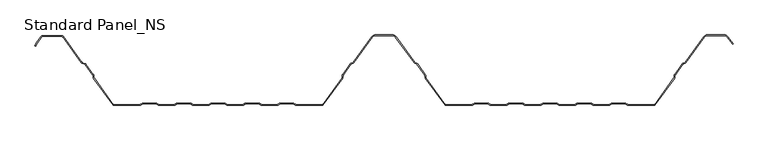
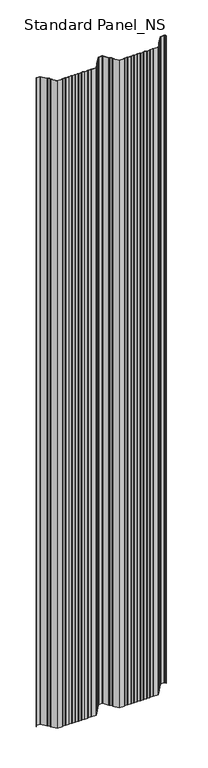
"""IFC4 building model written with IfcOpenShell, lengths in millimetres: proxy geometry, Standard Panel_NS."""

from ifc_helpers import new_model, si_unit, point, frame, frame_2d, origin, place, context, project, spatial, polyline, circle_curve, trimmed, segment, composite_curve, outline, extrude, source, transform, mapped, element, save


def standard_panel_ns_82f84458(model_context):
    return source(origin(), model_context, "Body", "SweptSolid", [
        extrude(outline(composite_curve([segment(trimmed(circle_curve(frame_2d((-489.5977663, 97.2513951)), 2.7486049), [point((-491.8230655, 98.864737))], [point((-489.5977663, 100.0))], False, "CARTESIAN"), True, "CONTINUOUS"), segment(polyline([(-489.5977663, 100.0), (-462.4022334, 100.0)]), True, "CONTINUOUS"), segment(trimmed(circle_curve(frame_2d((-462.4022334, 97.2513951)), 2.7486049), [point((-462.4022334, 100.0))], [point((-460.1769342, 98.864737))], False, "CARTESIAN"), True, "CONTINUOUS"), segment(polyline([(-460.1769342, 98.864737), (-433.3812186, 61.9051293)]), True, "CONTINUOUS"), segment(trimmed(circle_curve(frame_2d((-431.9655298, 62.9315037)), 1.7486049), [point((-433.3812186, 61.9051293))], [point((-432.574124, 61.2922257))], True, "CARTESIAN"), True, "CONTINUOUS"), segment(polyline([(-432.574124, 61.2922257), (-428.7804508, 59.8837962)]), True, "CONTINUOUS"), segment(trimmed(circle_curve(frame_2d((-429.7370906, 57.3070406)), 2.7486049), [point((-428.7804508, 59.8837962))], [point((-427.5117914, 58.9203825))], False, "CARTESIAN"), True, "CONTINUOUS"), segment(polyline([(-427.5117914, 58.9203825), (-416.762254, 44.0934344)]), True, "CONTINUOUS"), segment(trimmed(circle_curve(frame_2d((-418.9875532, 42.4800924)), 2.7486049), [point((-416.762254, 44.0934344))], [point((-416.2410712, 42.5881001))], False, "CARTESIAN"), True, "CONTINUOUS"), segment(polyline([(-416.2410712, 42.5881001), (-416.1528959, 40.3459275)]), True, "CONTINUOUS"), segment(trimmed(circle_curve(frame_2d((-414.4056416, 40.4146398)), 1.7486049), [point((-416.1528959, 40.3459275))], [point((-415.8213303, 39.3882654))], True, "CARTESIAN"), True, "CONTINUOUS"), segment(polyline([(-415.8213303, 39.3882654), (-387.9898379, 1.0), (-350.1655438, 1.0)]), True, "CONTINUOUS"), segment(trimmed(circle_curve(frame_2d((-350.1655438, 2.7486049)), 1.7486049), [point((-350.1655438, 1.0))], [point((-349.1955923, 1.2936777))], True, "CARTESIAN"), True, "CONTINUOUS"), segment(polyline([(-349.1955923, 1.2936777), (-347.3285499, 2.5383726)]), True, "CONTINUOUS"), segment(trimmed(circle_curve(frame_2d((-345.8038982, 0.2513951)), 2.7486049), [point((-347.3285499, 2.5383726))], [point((-345.8038982, 3.0))], False, "CARTESIAN"), True, "CONTINUOUS"), segment(polyline([(-345.8038982, 3.0), (-326.8627681, 3.0)]), True, "CONTINUOUS"), segment(trimmed(circle_curve(frame_2d((-326.8627681, 0.2513951)), 2.7486049), [point((-326.8627681, 3.0))], [point((-325.3381165, 2.5383726))], False, "CARTESIAN"), True, "CONTINUOUS"), segment(polyline([(-325.3381165, 2.5383726), (-323.4710741, 1.2936777)]), True, "CONTINUOUS"), segment(trimmed(circle_curve(frame_2d((-322.5011226, 2.7486049)), 1.7486049), [point((-323.4710741, 1.2936777))], [point((-322.5011226, 1.0))], True, "CARTESIAN"), True, "CONTINUOUS"), segment(polyline([(-322.5011226, 1.0), (-300.9988771, 1.0)]), True, "CONTINUOUS"), segment(trimmed(circle_curve(frame_2d((-300.9988771, 2.7486049)), 1.7486049), [point((-300.9988771, 1.0))], [point((-300.0289256, 1.2936777))], True, "CARTESIAN"), True, "CONTINUOUS"), segment(polyline([(-300.0289256, 1.2936777), (-298.1618832, 2.5383726)]), True, "CONTINUOUS"), segment(trimmed(circle_curve(frame_2d((-296.6372316, 0.2513951)), 2.7486049), [point((-298.1618832, 2.5383726))], [point((-296.6372316, 3.0))], False, "CARTESIAN"), True, "CONTINUOUS"), segment(polyline([(-296.6372316, 3.0), (-277.6961015, 3.0)]), True, "CONTINUOUS"), segment(trimmed(circle_curve(frame_2d((-277.6961015, 0.2513951)), 2.7486049), [point((-277.6961015, 3.0))], [point((-276.1714498, 2.5383726))], False, "CARTESIAN"), True, "CONTINUOUS"), segment(polyline([(-276.1714498, 2.5383726), (-274.3044074, 1.2936777)]), True, "CONTINUOUS"), segment(trimmed(circle_curve(frame_2d((-273.3344559, 2.7486049)), 1.7486049), [point((-274.3044074, 1.2936777))], [point((-273.3344559, 1.0))], True, "CARTESIAN"), True, "CONTINUOUS"), segment(polyline([(-273.3344559, 1.0), (-251.8322104, 1.0)]), True, "CONTINUOUS"), segment(trimmed(circle_curve(frame_2d((-251.8322104, 2.7486049)), 1.7486049), [point((-251.8322104, 1.0))], [point((-250.862259, 1.2936777))], True, "CARTESIAN"), True, "CONTINUOUS"), segment(polyline([(-250.862259, 1.2936777), (-248.9952166, 2.5383726)]), True, "CONTINUOUS"), segment(trimmed(circle_curve(frame_2d((-247.4705649, 0.2513951)), 2.7486049), [point((-248.9952166, 2.5383726))], [point((-247.4705649, 3.0))], False, "CARTESIAN"), True, "CONTINUOUS"), segment(polyline([(-247.4705649, 3.0), (-228.5294348, 3.0)]), True, "CONTINUOUS"), segment(trimmed(circle_curve(frame_2d((-228.5294348, 0.2513951)), 2.7486049), [point((-228.5294348, 3.0))], [point((-227.0047831, 2.5383726))], False, "CARTESIAN"), True, "CONTINUOUS"), segment(polyline([(-227.0047831, 2.5383726), (-225.1377407, 1.2936777)]), True, "CONTINUOUS"), segment(trimmed(circle_curve(frame_2d((-224.1677892, 2.7486049)), 1.7486049), [point((-225.1377407, 1.2936777))], [point((-224.1677892, 1.0))], True, "CARTESIAN"), True, "CONTINUOUS"), segment(polyline([(-224.1677892, 1.0), (-202.6655438, 1.0)]), True, "CONTINUOUS"), segment(trimmed(circle_curve(frame_2d((-202.6655438, 2.7486049)), 1.7486049), [point((-202.6655438, 1.0))], [point((-201.6955923, 1.2936777))], True, "CARTESIAN"), True, "CONTINUOUS"), segment(polyline([(-201.6955923, 1.2936777), (-199.8285499, 2.5383726)]), True, "CONTINUOUS"), segment(trimmed(circle_curve(frame_2d((-198.3038982, 0.2513951)), 2.7486049), [point((-199.8285499, 2.5383726))], [point((-198.3038982, 3.0))], False, "CARTESIAN"), True, "CONTINUOUS"), segment(polyline([(-198.3038982, 3.0), (-179.3627681, 3.0)]), True, "CONTINUOUS"), segment(trimmed(circle_curve(frame_2d((-179.3627681, 0.2513951)), 2.7486049), [point((-179.3627681, 3.0))], [point((-177.8381165, 2.5383726))], False, "CARTESIAN"), True, "CONTINUOUS"), segment(polyline([(-177.8381165, 2.5383726), (-175.9710741, 1.2936777)]), True, "CONTINUOUS"), segment(trimmed(circle_curve(frame_2d((-175.0011226, 2.7486049)), 1.7486049), [point((-175.9710741, 1.2936777))], [point((-175.0011226, 1.0))], True, "CARTESIAN"), True, "CONTINUOUS"), segment(polyline([(-175.0011226, 1.0), (-153.4988771, 1.0)]), True, "CONTINUOUS"), segment(trimmed(circle_curve(frame_2d((-153.4988771, 2.7486049)), 1.7486049), [point((-153.4988771, 1.0))], [point((-152.5289256, 1.2936777))], True, "CARTESIAN"), True, "CONTINUOUS"), segment(polyline([(-152.5289256, 1.2936777), (-150.6618832, 2.5383726)]), True, "CONTINUOUS"), segment(trimmed(circle_curve(frame_2d((-149.1372316, 0.2513951)), 2.7486049), [point((-150.6618832, 2.5383726))], [point((-149.1372316, 3.0))], False, "CARTESIAN"), True, "CONTINUOUS"), segment(polyline([(-149.1372316, 3.0), (-130.1961015, 3.0)]), True, "CONTINUOUS"), segment(trimmed(circle_curve(frame_2d((-130.1961015, 0.2513951)), 2.7486049), [point((-130.1961015, 3.0))], [point((-128.6714498, 2.5383726))], False, "CARTESIAN"), True, "CONTINUOUS"), segment(polyline([(-128.6714498, 2.5383726), (-126.8044074, 1.2936777)]), True, "CONTINUOUS"), segment(trimmed(circle_curve(frame_2d((-125.8344559, 2.7486049)), 1.7486049), [point((-126.8044074, 1.2936777))], [point((-125.8344559, 1.0))], True, "CARTESIAN"), True, "CONTINUOUS"), segment(polyline([(-125.8344559, 1.0), (-88.0101618, 1.0), (-60.1786694, 39.3882654)]), True, "CONTINUOUS"), segment(trimmed(circle_curve(frame_2d((-61.5943581, 40.4146398)), 1.7486049), [point((-60.1786694, 39.3882654))], [point((-59.8471038, 40.3459275))], True, "CARTESIAN"), True, "CONTINUOUS"), segment(polyline([(-59.8471038, 40.3459275), (-59.7589285, 42.5881001)]), True, "CONTINUOUS"), segment(trimmed(circle_curve(frame_2d((-57.0124465, 42.4800924)), 2.7486049), [point((-59.7589285, 42.5881001))], [point((-59.2377457, 44.0934344))], False, "CARTESIAN"), True, "CONTINUOUS"), segment(polyline([(-59.2377457, 44.0934344), (-48.1199166, 59.4283711)]), True, "CONTINUOUS"), segment(trimmed(circle_curve(frame_2d((-45.8946174, 57.8150291)), 2.7486049), [point((-48.1199166, 59.4283711))], [point((-46.8512572, 60.3917847))], False, "CARTESIAN"), True, "CONTINUOUS"), segment(polyline([(-46.8512572, 60.3917847), (-44.7476458, 61.1727662)]), True, "CONTINUOUS"), segment(trimmed(circle_curve(frame_2d((-45.35624, 62.8120441)), 1.7486049), [point((-44.7476458, 61.1727662))], [point((-43.9405512, 61.7856697))], True, "CARTESIAN"), True, "CONTINUOUS"), segment(polyline([(-43.9405512, 61.7856697), (-17.3068528, 98.5218054)]), True, "CONTINUOUS"), segment(trimmed(circle_curve(frame_2d((-12.4491902, 95.0)), 6.0), [point((-17.3068528, 98.5218054))], [point((-12.4491902, 101.0))], False, "CARTESIAN"), True, "CONTINUOUS"), segment(polyline([(-12.4491902, 101.0), (12.4491905, 101.0)]), True, "CONTINUOUS"), segment(trimmed(circle_curve(frame_2d((12.4491905, 95.0)), 6.0), [point((12.4491905, 101.0))], [point((17.3068531, 98.5218054))], False, "CARTESIAN"), True, "CONTINUOUS"), segment(polyline([(17.3068531, 98.5218054), (43.9405515, 61.7856697)]), True, "CONTINUOUS"), segment(trimmed(circle_curve(frame_2d((45.3562403, 62.8120441)), 1.7486049), [point((43.9405515, 61.7856697))], [point((44.7476461, 61.1727662))], True, "CARTESIAN"), True, "CONTINUOUS"), segment(polyline([(44.7476461, 61.1727662), (46.8512575, 60.3917847)]), True, "CONTINUOUS"), segment(trimmed(circle_curve(frame_2d((45.8946177, 57.8150291)), 2.7486049), [point((46.8512575, 60.3917847))], [point((48.1199169, 59.4283711))], False, "CARTESIAN"), True, "CONTINUOUS"), segment(polyline([(48.1199169, 59.4283711), (59.237746, 44.0934344)]), True, "CONTINUOUS"), segment(trimmed(circle_curve(frame_2d((57.0124468, 42.4800924)), 2.7486049), [point((59.237746, 44.0934344))], [point((59.7589288, 42.5881001))], False, "CARTESIAN"), True, "CONTINUOUS"), segment(polyline([(59.7589288, 42.5881001), (59.8471041, 40.3459275)]), True, "CONTINUOUS"), segment(trimmed(circle_curve(frame_2d((61.5943584, 40.4146398)), 1.7486049), [point((59.8471041, 40.3459275))], [point((60.1786697, 39.3882654))], True, "CARTESIAN"), True, "CONTINUOUS"), segment(polyline([(60.1786697, 39.3882654), (88.0101621, 1.0), (125.8344562, 1.0)]), True, "CONTINUOUS"), segment(trimmed(circle_curve(frame_2d((125.8344562, 2.7486049)), 1.7486049), [point((125.8344562, 1.0))], [point((126.8044077, 1.2936777))], True, "CARTESIAN"), True, "CONTINUOUS"), segment(polyline([(126.8044077, 1.2936777), (128.6714501, 2.5383726)]), True, "CONTINUOUS"), segment(trimmed(circle_curve(frame_2d((130.1961018, 0.2513951)), 2.7486049), [point((128.6714501, 2.5383726))], [point((130.1961018, 3.0))], False, "CARTESIAN"), True, "CONTINUOUS"), segment(polyline([(130.1961018, 3.0), (149.1372319, 3.0)]), True, "CONTINUOUS"), segment(trimmed(circle_curve(frame_2d((149.1372319, 0.2513951)), 2.7486049), [point((149.1372319, 3.0))], [point((150.6618835, 2.5383726))], False, "CARTESIAN"), True, "CONTINUOUS"), segment(polyline([(150.6618835, 2.5383726), (152.5289259, 1.2936777)]), True, "CONTINUOUS"), segment(trimmed(circle_curve(frame_2d((153.4988774, 2.7486049)), 1.7486049), [point((152.5289259, 1.2936777))], [point((153.4988774, 1.0))], True, "CARTESIAN"), True, "CONTINUOUS"), segment(polyline([(153.4988774, 1.0), (175.0011229, 1.0)]), True, "CONTINUOUS"), segment(trimmed(circle_curve(frame_2d((175.0011229, 2.7486049)), 1.7486049), [point((175.0011229, 1.0))], [point((175.9710744, 1.2936777))], True, "CARTESIAN"), True, "CONTINUOUS"), segment(polyline([(175.9710744, 1.2936777), (177.8381168, 2.5383726)]), True, "CONTINUOUS"), segment(trimmed(circle_curve(frame_2d((179.3627684, 0.2513951)), 2.7486049), [point((177.8381168, 2.5383726))], [point((179.3627684, 3.0))], False, "CARTESIAN"), True, "CONTINUOUS"), segment(polyline([(179.3627684, 3.0), (198.3038985, 3.0)]), True, "CONTINUOUS"), segment(trimmed(circle_curve(frame_2d((198.3038985, 0.2513951)), 2.7486049), [point((198.3038985, 3.0))], [point((199.8285502, 2.5383726))], False, "CARTESIAN"), True, "CONTINUOUS"), segment(polyline([(199.8285502, 2.5383726), (201.6955926, 1.2936777)]), True, "CONTINUOUS"), segment(trimmed(circle_curve(frame_2d((202.6655441, 2.7486049)), 1.7486049), [point((201.6955926, 1.2936777))], [point((202.6655441, 1.0))], True, "CARTESIAN"), True, "CONTINUOUS"), segment(polyline([(202.6655441, 1.0), (224.1677896, 1.0)]), True, "CONTINUOUS"), segment(trimmed(circle_curve(frame_2d((224.1677896, 2.7486049)), 1.7486049), [point((224.1677896, 1.0))], [point((225.137741, 1.2936777))], True, "CARTESIAN"), True, "CONTINUOUS"), segment(polyline([(225.137741, 1.2936777), (227.0047834, 2.5383726)]), True, "CONTINUOUS"), segment(trimmed(circle_curve(frame_2d((228.5294351, 0.2513951)), 2.7486049), [point((227.0047834, 2.5383726))], [point((228.5294351, 3.0))], False, "CARTESIAN"), True, "CONTINUOUS"), segment(polyline([(228.5294351, 3.0), (247.4705652, 3.0)]), True, "CONTINUOUS"), segment(trimmed(circle_curve(frame_2d((247.4705652, 0.2513951)), 2.7486049), [point((247.4705652, 3.0))], [point((248.9952169, 2.5383726))], False, "CARTESIAN"), True, "CONTINUOUS"), segment(polyline([(248.9952169, 2.5383726), (250.8622593, 1.2936777)]), True, "CONTINUOUS"), segment(trimmed(circle_curve(frame_2d((251.8322108, 2.7486049)), 1.7486049), [point((250.8622593, 1.2936777))], [point((251.8322108, 1.0))], True, "CARTESIAN"), True, "CONTINUOUS"), segment(polyline([(251.8322108, 1.0), (273.3344562, 1.0)]), True, "CONTINUOUS"), segment(trimmed(circle_curve(frame_2d((273.3344562, 2.7486049)), 1.7486049), [point((273.3344562, 1.0))], [point((274.3044077, 1.2936777))], True, "CARTESIAN"), True, "CONTINUOUS"), segment(polyline([(274.3044077, 1.2936777), (276.1714501, 2.5383726)]), True, "CONTINUOUS"), segment(trimmed(circle_curve(frame_2d((277.6961018, 0.2513951)), 2.7486049), [point((276.1714501, 2.5383726))], [point((277.6961018, 3.0))], False, "CARTESIAN"), True, "CONTINUOUS"), segment(polyline([(277.6961018, 3.0), (296.6372319, 3.0)]), True, "CONTINUOUS"), segment(trimmed(circle_curve(frame_2d((296.6372319, 0.2513951)), 2.7486049), [point((296.6372319, 3.0))], [point((298.1618835, 2.5383726))], False, "CARTESIAN"), True, "CONTINUOUS"), segment(polyline([(298.1618835, 2.5383726), (300.0289259, 1.2936777)]), True, "CONTINUOUS"), segment(trimmed(circle_curve(frame_2d((300.9988774, 2.7486049)), 1.7486049), [point((300.0289259, 1.2936777))], [point((300.9988774, 1.0))], True, "CARTESIAN"), True, "CONTINUOUS"), segment(polyline([(300.9988774, 1.0), (322.5011229, 1.0)]), True, "CONTINUOUS"), segment(trimmed(circle_curve(frame_2d((322.5011229, 2.7486049)), 1.7486049), [point((322.5011229, 1.0))], [point((323.4710744, 1.2936777))], True, "CARTESIAN"), True, "CONTINUOUS"), segment(polyline([(323.4710744, 1.2936777), (325.3381168, 2.5383726)]), True, "CONTINUOUS"), segment(trimmed(circle_curve(frame_2d((326.8627684, 0.2513951)), 2.7486049), [point((325.3381168, 2.5383726))], [point((326.8627684, 3.0))], False, "CARTESIAN"), True, "CONTINUOUS"), segment(polyline([(326.8627684, 3.0), (345.8038985, 3.0)]), True, "CONTINUOUS"), segment(trimmed(circle_curve(frame_2d((345.8038985, 0.2513951)), 2.7486049), [point((345.8038985, 3.0))], [point((347.3285502, 2.5383726))], False, "CARTESIAN"), True, "CONTINUOUS"), segment(polyline([(347.3285502, 2.5383726), (349.1955926, 1.2936777)]), True, "CONTINUOUS"), segment(trimmed(circle_curve(frame_2d((350.1655441, 2.7486049)), 1.7486049), [point((349.1955926, 1.2936777))], [point((350.1655441, 1.0))], True, "CARTESIAN"), True, "CONTINUOUS"), segment(polyline([(350.1655441, 1.0), (387.9898382, 1.0), (415.8213306, 39.3882654)]), True, "CONTINUOUS"), segment(trimmed(circle_curve(frame_2d((414.4056419, 40.4146398)), 1.7486049), [point((415.8213306, 39.3882654))], [point((416.1528962, 40.3459275))], True, "CARTESIAN"), True, "CONTINUOUS"), segment(polyline([(416.1528962, 40.3459275), (416.2410715, 42.5881001)]), True, "CONTINUOUS"), segment(trimmed(circle_curve(frame_2d((418.9875535, 42.4800924)), 2.7486049), [point((416.2410715, 42.5881001))], [point((416.7622543, 44.0934344))], False, "CARTESIAN"), True, "CONTINUOUS"), segment(polyline([(416.7622543, 44.0934344), (427.8800834, 59.4283711)]), True, "CONTINUOUS"), segment(trimmed(circle_curve(frame_2d((430.1053826, 57.8150291)), 2.7486049), [point((427.8800834, 59.4283711))], [point((429.1487428, 60.3917847))], False, "CARTESIAN"), True, "CONTINUOUS"), segment(polyline([(429.1487428, 60.3917847), (431.2523542, 61.1727662)]), True, "CONTINUOUS"), segment(trimmed(circle_curve(frame_2d((430.64376, 62.8120441)), 1.7486049), [point((431.2523542, 61.1727662))], [point((432.0594488, 61.7856697))], True, "CARTESIAN"), True, "CONTINUOUS"), segment(polyline([(432.0594488, 61.7856697), (458.6931472, 98.5218054)]), True, "CONTINUOUS"), segment(trimmed(circle_curve(frame_2d((463.5508098, 95.0)), 6.0), [point((458.6931472, 98.5218054))], [point((463.5508098, 101.0))], False, "CARTESIAN"), True, "CONTINUOUS"), segment(polyline([(463.5508098, 101.0), (488.4491905, 101.0)]), True, "CONTINUOUS"), segment(trimmed(circle_curve(frame_2d((488.4491905, 95.0)), 6.0), [point((488.4491905, 101.0))], [point((493.3068531, 98.5218054))], False, "CARTESIAN"), True, "CONTINUOUS"), segment(polyline([(493.3068531, 98.5218054), (500.6141242, 88.4428109), (499.8045137, 87.8558433), (492.4972427, 97.9348379)]), True, "CONTINUOUS"), segment(trimmed(circle_curve(frame_2d((488.4491905, 95.0)), 5.0), [point((492.4972427, 97.9348379))], [point((488.4491905, 100.0))], True, "CARTESIAN"), True, "CONTINUOUS"), segment(polyline([(488.4491905, 100.0), (463.5508098, 100.0)]), True, "CONTINUOUS"), segment(trimmed(circle_curve(frame_2d((463.5508098, 95.0)), 5.0), [point((463.5508098, 100.0))], [point((459.5027576, 97.9348379))], True, "CARTESIAN"), True, "CONTINUOUS"), segment(polyline([(459.5027576, 97.9348379), (432.8690592, 61.1987022)]), True, "CONTINUOUS"), segment(trimmed(circle_curve(frame_2d((430.64376, 62.8120441)), 2.7486049), [point((432.8690592, 61.1987022))], [point((431.6003998, 60.2352885))], False, "CARTESIAN"), True, "CONTINUOUS"), segment(polyline([(431.6003998, 60.2352885), (429.4967884, 59.4543071)]), True, "CONTINUOUS"), segment(trimmed(circle_curve(frame_2d((430.1053826, 57.8150291)), 1.7486049), [point((429.4967884, 59.4543071))], [point((428.6896938, 58.8414035))], True, "CARTESIAN"), True, "CONTINUOUS"), segment(polyline([(428.6896938, 58.8414035), (417.5718647, 43.5064668)]), True, "CONTINUOUS"), segment(trimmed(circle_curve(frame_2d((418.9875535, 42.4800924)), 1.7486049), [point((417.5718647, 43.5064668))], [point((417.2402992, 42.5488047))], True, "CARTESIAN"), True, "CONTINUOUS"), segment(polyline([(417.2402992, 42.5488047), (417.1521238, 40.3066321)]), True, "CONTINUOUS"), segment(trimmed(circle_curve(frame_2d((414.4056419, 40.4146398)), 2.7486049), [point((417.1521238, 40.3066321))], [point((416.6309411, 38.8012978))], False, "CARTESIAN"), True, "CONTINUOUS"), segment(polyline([(416.6309411, 38.8012978), (388.5000002, 0.0), (350.1655441, 0.0)]), True, "CONTINUOUS"), segment(trimmed(circle_curve(frame_2d((350.1655441, 2.7486049)), 2.7486049), [point((350.1655441, 0.0))], [point((348.6408924, 0.4616274))], False, "CARTESIAN"), True, "CONTINUOUS"), segment(polyline([(348.6408924, 0.4616274), (346.77385, 1.7063223)]), True, "CONTINUOUS"), segment(trimmed(circle_curve(frame_2d((345.8038985, 0.2513951)), 1.7486049), [point((346.77385, 1.7063223))], [point((345.8038985, 2.0))], True, "CARTESIAN"), True, "CONTINUOUS"), segment(polyline([(345.8038985, 2.0), (326.8627684, 2.0)]), True, "CONTINUOUS"), segment(trimmed(circle_curve(frame_2d((326.8627684, 0.2513951)), 1.7486049), [point((326.8627684, 2.0))], [point((325.892817, 1.7063223))], True, "CARTESIAN"), True, "CONTINUOUS"), segment(polyline([(325.892817, 1.7063223), (324.0257746, 0.4616274)]), True, "CONTINUOUS"), segment(trimmed(circle_curve(frame_2d((322.5011229, 2.7486049)), 2.7486049), [point((324.0257746, 0.4616274))], [point((322.5011229, 0.0))], False, "CARTESIAN"), True, "CONTINUOUS"), segment(polyline([(322.5011229, 0.0), (300.9988774, 0.0)]), True, "CONTINUOUS"), segment(trimmed(circle_curve(frame_2d((300.9988774, 2.7486049)), 2.7486049), [point((300.9988774, 0.0))], [point((299.4742257, 0.4616274))], False, "CARTESIAN"), True, "CONTINUOUS"), segment(polyline([(299.4742257, 0.4616274), (297.6071833, 1.7063223)]), True, "CONTINUOUS"), segment(trimmed(circle_curve(frame_2d((296.6372319, 0.2513951)), 1.7486049), [point((297.6071833, 1.7063223))], [point((296.6372319, 2.0))], True, "CARTESIAN"), True, "CONTINUOUS"), segment(polyline([(296.6372319, 2.0), (277.6961018, 2.0)]), True, "CONTINUOUS"), segment(trimmed(circle_curve(frame_2d((277.6961018, 0.2513951)), 1.7486049), [point((277.6961018, 2.0))], [point((276.7261503, 1.7063223))], True, "CARTESIAN"), True, "CONTINUOUS"), segment(polyline([(276.7261503, 1.7063223), (274.8591079, 0.4616274)]), True, "CONTINUOUS"), segment(trimmed(circle_curve(frame_2d((273.3344562, 2.7486049)), 2.7486049), [point((274.8591079, 0.4616274))], [point((273.3344562, 0.0))], False, "CARTESIAN"), True, "CONTINUOUS"), segment(polyline([(273.3344562, 0.0), (251.8322108, 0.0)]), True, "CONTINUOUS"), segment(trimmed(circle_curve(frame_2d((251.8322108, 2.7486049)), 2.7486049), [point((251.8322108, 0.0))], [point((250.3075591, 0.4616274))], False, "CARTESIAN"), True, "CONTINUOUS"), segment(polyline([(250.3075591, 0.4616274), (248.4405167, 1.7063223)]), True, "CONTINUOUS"), segment(trimmed(circle_curve(frame_2d((247.4705652, 0.2513951)), 1.7486049), [point((248.4405167, 1.7063223))], [point((247.4705652, 2.0))], True, "CARTESIAN"), True, "CONTINUOUS"), segment(polyline([(247.4705652, 2.0), (228.5294351, 2.0)]), True, "CONTINUOUS"), segment(trimmed(circle_curve(frame_2d((228.5294351, 0.2513951)), 1.7486049), [point((228.5294351, 2.0))], [point((227.5594836, 1.7063223))], True, "CARTESIAN"), True, "CONTINUOUS"), segment(polyline([(227.5594836, 1.7063223), (225.6924412, 0.4616274)]), True, "CONTINUOUS"), segment(trimmed(circle_curve(frame_2d((224.1677896, 2.7486049)), 2.7486049), [point((225.6924412, 0.4616274))], [point((224.1677896, 0.0))], False, "CARTESIAN"), True, "CONTINUOUS"), segment(polyline([(224.1677896, 0.0), (202.6655441, 0.0)]), True, "CONTINUOUS"), segment(trimmed(circle_curve(frame_2d((202.6655441, 2.7486049)), 2.7486049), [point((202.6655441, 0.0))], [point((201.1408924, 0.4616274))], False, "CARTESIAN"), True, "CONTINUOUS"), segment(polyline([(201.1408924, 0.4616274), (199.27385, 1.7063223)]), True, "CONTINUOUS"), segment(trimmed(circle_curve(frame_2d((198.3038985, 0.2513951)), 1.7486049), [point((199.27385, 1.7063223))], [point((198.3038985, 2.0))], True, "CARTESIAN"), True, "CONTINUOUS"), segment(polyline([(198.3038985, 2.0), (179.3627684, 2.0)]), True, "CONTINUOUS"), segment(trimmed(circle_curve(frame_2d((179.3627684, 0.2513951)), 1.7486049), [point((179.3627684, 2.0))], [point((178.392817, 1.7063223))], True, "CARTESIAN"), True, "CONTINUOUS"), segment(polyline([(178.392817, 1.7063223), (176.5257746, 0.4616274)]), True, "CONTINUOUS"), segment(trimmed(circle_curve(frame_2d((175.0011229, 2.7486049)), 2.7486049), [point((176.5257746, 0.4616274))], [point((175.0011229, 0.0))], False, "CARTESIAN"), True, "CONTINUOUS"), segment(polyline([(175.0011229, 0.0), (153.4988774, 0.0)]), True, "CONTINUOUS"), segment(trimmed(circle_curve(frame_2d((153.4988774, 2.7486049)), 2.7486049), [point((153.4988774, 0.0))], [point((151.9742257, 0.4616274))], False, "CARTESIAN"), True, "CONTINUOUS"), segment(polyline([(151.9742257, 0.4616274), (150.1071833, 1.7063223)]), True, "CONTINUOUS"), segment(trimmed(circle_curve(frame_2d((149.1372319, 0.2513951)), 1.7486049), [point((150.1071833, 1.7063223))], [point((149.1372319, 2.0))], True, "CARTESIAN"), True, "CONTINUOUS"), segment(polyline([(149.1372319, 2.0), (130.1961018, 2.0)]), True, "CONTINUOUS"), segment(trimmed(circle_curve(frame_2d((130.1961018, 0.2513951)), 1.7486049), [point((130.1961018, 2.0))], [point((129.2261503, 1.7063223))], True, "CARTESIAN"), True, "CONTINUOUS"), segment(polyline([(129.2261503, 1.7063223), (127.3591079, 0.4616274)]), True, "CONTINUOUS"), segment(trimmed(circle_curve(frame_2d((125.8344562, 2.7486049)), 2.7486049), [point((127.3591079, 0.4616274))], [point((125.8344562, 0.0))], False, "CARTESIAN"), True, "CONTINUOUS"), segment(polyline([(125.8344562, 0.0), (87.5000002, 0.0), (59.3690592, 38.8012978)]), True, "CONTINUOUS"), segment(trimmed(circle_curve(frame_2d((61.5943584, 40.4146398)), 2.7486049), [point((59.3690592, 38.8012978))], [point((58.8478765, 40.3066321))], False, "CARTESIAN"), True, "CONTINUOUS"), segment(polyline([(58.8478765, 40.3066321), (58.7597011, 42.5488047)]), True, "CONTINUOUS"), segment(trimmed(circle_curve(frame_2d((57.0124468, 42.4800924)), 1.7486049), [point((58.7597011, 42.5488047))], [point((58.4281356, 43.5064668))], True, "CARTESIAN"), True, "CONTINUOUS"), segment(polyline([(58.4281356, 43.5064668), (47.3103065, 58.8414035)]), True, "CONTINUOUS"), segment(trimmed(circle_curve(frame_2d((45.8946177, 57.8150291)), 1.7486049), [point((47.3103065, 58.8414035))], [point((46.5032119, 59.4543071))], True, "CARTESIAN"), True, "CONTINUOUS"), segment(polyline([(46.5032119, 59.4543071), (44.3996005, 60.2352885)]), True, "CONTINUOUS"), segment(trimmed(circle_curve(frame_2d((45.3562403, 62.8120441)), 2.7486049), [point((44.3996005, 60.2352885))], [point((43.1309411, 61.1987022))], False, "CARTESIAN"), True, "CONTINUOUS"), segment(polyline([(43.1309411, 61.1987022), (16.4972427, 97.9348379)]), True, "CONTINUOUS"), segment(trimmed(circle_curve(frame_2d((12.4491905, 95.0)), 5.0), [point((16.4972427, 97.9348379))], [point((12.4491905, 100.0))], True, "CARTESIAN"), True, "CONTINUOUS"), segment(polyline([(12.4491905, 100.0), (-12.4491902, 100.0)]), True, "CONTINUOUS"), segment(trimmed(circle_curve(frame_2d((-12.4491902, 95.0)), 5.0), [point((-12.4491902, 100.0))], [point((-16.4972424, 97.9348379))], True, "CARTESIAN"), True, "CONTINUOUS"), segment(polyline([(-16.4972424, 97.9348379), (-43.1309408, 61.1987022)]), True, "CONTINUOUS"), segment(trimmed(circle_curve(frame_2d((-45.35624, 62.8120441)), 2.7486049), [point((-43.1309408, 61.1987022))], [point((-44.3996002, 60.2352885))], False, "CARTESIAN"), True, "CONTINUOUS"), segment(polyline([(-44.3996002, 60.2352885), (-46.5032116, 59.4543071)]), True, "CONTINUOUS"), segment(trimmed(circle_curve(frame_2d((-45.8946174, 57.8150291)), 1.7486049), [point((-46.5032116, 59.4543071))], [point((-47.3103062, 58.8414035))], True, "CARTESIAN"), True, "CONTINUOUS"), segment(polyline([(-47.3103062, 58.8414035), (-58.4281353, 43.5064668)]), True, "CONTINUOUS"), segment(trimmed(circle_curve(frame_2d((-57.0124465, 42.4800924)), 1.7486049), [point((-58.4281353, 43.5064668))], [point((-58.7597008, 42.5488047))], True, "CARTESIAN"), True, "CONTINUOUS"), segment(polyline([(-58.7597008, 42.5488047), (-58.8478762, 40.3066321)]), True, "CONTINUOUS"), segment(trimmed(circle_curve(frame_2d((-61.5943581, 40.4146398)), 2.7486049), [point((-58.8478762, 40.3066321))], [point((-59.3690589, 38.8012978))], False, "CARTESIAN"), True, "CONTINUOUS"), segment(polyline([(-59.3690589, 38.8012978), (-87.4999998, 0.0), (-125.8344559, 0.0)]), True, "CONTINUOUS"), segment(trimmed(circle_curve(frame_2d((-125.8344559, 2.7486049)), 2.7486049), [point((-125.8344559, 0.0))], [point((-127.3591076, 0.4616274))], False, "CARTESIAN"), True, "CONTINUOUS"), segment(polyline([(-127.3591076, 0.4616274), (-129.22615, 1.7063223)]), True, "CONTINUOUS"), segment(trimmed(circle_curve(frame_2d((-130.1961015, 0.2513951)), 1.7486049), [point((-129.22615, 1.7063223))], [point((-130.1961015, 2.0))], True, "CARTESIAN"), True, "CONTINUOUS"), segment(polyline([(-130.1961015, 2.0), (-149.1372316, 2.0)]), True, "CONTINUOUS"), segment(trimmed(circle_curve(frame_2d((-149.1372316, 0.2513951)), 1.7486049), [point((-149.1372316, 2.0))], [point((-150.107183, 1.7063223))], True, "CARTESIAN"), True, "CONTINUOUS"), segment(polyline([(-150.107183, 1.7063223), (-151.9742254, 0.4616274)]), True, "CONTINUOUS"), segment(trimmed(circle_curve(frame_2d((-153.4988771, 2.7486049)), 2.7486049), [point((-151.9742254, 0.4616274))], [point((-153.4988771, 0.0))], False, "CARTESIAN"), True, "CONTINUOUS"), segment(polyline([(-153.4988771, 0.0), (-175.0011226, 0.0)]), True, "CONTINUOUS"), segment(trimmed(circle_curve(frame_2d((-175.0011226, 2.7486049)), 2.7486049), [point((-175.0011226, 0.0))], [point((-176.5257743, 0.4616274))], False, "CARTESIAN"), True, "CONTINUOUS"), segment(polyline([(-176.5257743, 0.4616274), (-178.3928167, 1.7063223)]), True, "CONTINUOUS"), segment(trimmed(circle_curve(frame_2d((-179.3627681, 0.2513951)), 1.7486049), [point((-178.3928167, 1.7063223))], [point((-179.3627681, 2.0))], True, "CARTESIAN"), True, "CONTINUOUS"), segment(polyline([(-179.3627681, 2.0), (-198.3038982, 2.0)]), True, "CONTINUOUS"), segment(trimmed(circle_curve(frame_2d((-198.3038982, 0.2513951)), 1.7486049), [point((-198.3038982, 2.0))], [point((-199.2738497, 1.7063223))], True, "CARTESIAN"), True, "CONTINUOUS"), segment(polyline([(-199.2738497, 1.7063223), (-201.1408921, 0.4616274)]), True, "CONTINUOUS"), segment(trimmed(circle_curve(frame_2d((-202.6655438, 2.7486049)), 2.7486049), [point((-201.1408921, 0.4616274))], [point((-202.6655438, 0.0))], False, "CARTESIAN"), True, "CONTINUOUS"), segment(polyline([(-202.6655438, 0.0), (-224.1677892, 0.0)]), True, "CONTINUOUS"), segment(trimmed(circle_curve(frame_2d((-224.1677892, 2.7486049)), 2.7486049), [point((-224.1677892, 0.0))], [point((-225.6924409, 0.4616274))], False, "CARTESIAN"), True, "CONTINUOUS"), segment(polyline([(-225.6924409, 0.4616274), (-227.5594833, 1.7063223)]), True, "CONTINUOUS"), segment(trimmed(circle_curve(frame_2d((-228.5294348, 0.2513951)), 1.7486049), [point((-227.5594833, 1.7063223))], [point((-228.5294348, 2.0))], True, "CARTESIAN"), True, "CONTINUOUS"), segment(polyline([(-228.5294348, 2.0), (-247.4705649, 2.0)]), True, "CONTINUOUS"), segment(trimmed(circle_curve(frame_2d((-247.4705649, 0.2513951)), 1.7486049), [point((-247.4705649, 2.0))], [point((-248.4405164, 1.7063223))], True, "CARTESIAN"), True, "CONTINUOUS"), segment(polyline([(-248.4405164, 1.7063223), (-250.3075588, 0.4616274)]), True, "CONTINUOUS"), segment(trimmed(circle_curve(frame_2d((-251.8322104, 2.7486049)), 2.7486049), [point((-250.3075588, 0.4616274))], [point((-251.8322104, 0.0))], False, "CARTESIAN"), True, "CONTINUOUS"), segment(polyline([(-251.8322104, 0.0), (-273.3344559, 0.0)]), True, "CONTINUOUS"), segment(trimmed(circle_curve(frame_2d((-273.3344559, 2.7486049)), 2.7486049), [point((-273.3344559, 0.0))], [point((-274.8591076, 0.4616274))], False, "CARTESIAN"), True, "CONTINUOUS"), segment(polyline([(-274.8591076, 0.4616274), (-276.72615, 1.7063223)]), True, "CONTINUOUS"), segment(trimmed(circle_curve(frame_2d((-277.6961015, 0.2513951)), 1.7486049), [point((-276.72615, 1.7063223))], [point((-277.6961015, 2.0))], True, "CARTESIAN"), True, "CONTINUOUS"), segment(polyline([(-277.6961015, 2.0), (-296.6372316, 2.0)]), True, "CONTINUOUS"), segment(trimmed(circle_curve(frame_2d((-296.6372316, 0.2513951)), 1.7486049), [point((-296.6372316, 2.0))], [point((-297.607183, 1.7063223))], True, "CARTESIAN"), True, "CONTINUOUS"), segment(polyline([(-297.607183, 1.7063223), (-299.4742254, 0.4616274)]), True, "CONTINUOUS"), segment(trimmed(circle_curve(frame_2d((-300.9988771, 2.7486049)), 2.7486049), [point((-299.4742254, 0.4616274))], [point((-300.9988771, 0.0))], False, "CARTESIAN"), True, "CONTINUOUS"), segment(polyline([(-300.9988771, 0.0), (-322.5011226, 0.0)]), True, "CONTINUOUS"), segment(trimmed(circle_curve(frame_2d((-322.5011226, 2.7486049)), 2.7486049), [point((-322.5011226, 0.0))], [point((-324.0257743, 0.4616274))], False, "CARTESIAN"), True, "CONTINUOUS"), segment(polyline([(-324.0257743, 0.4616274), (-325.8928167, 1.7063223)]), True, "CONTINUOUS"), segment(trimmed(circle_curve(frame_2d((-326.8627681, 0.2513951)), 1.7486049), [point((-325.8928167, 1.7063223))], [point((-326.8627681, 2.0))], True, "CARTESIAN"), True, "CONTINUOUS"), segment(polyline([(-326.8627681, 2.0), (-345.8038982, 2.0)]), True, "CONTINUOUS"), segment(trimmed(circle_curve(frame_2d((-345.8038982, 0.2513951)), 1.7486049), [point((-345.8038982, 2.0))], [point((-346.7738497, 1.7063223))], True, "CARTESIAN"), True, "CONTINUOUS"), segment(polyline([(-346.7738497, 1.7063223), (-348.6408921, 0.4616274)]), True, "CONTINUOUS"), segment(trimmed(circle_curve(frame_2d((-350.1655438, 2.7486049)), 2.7486049), [point((-348.6408921, 0.4616274))], [point((-350.1655438, 0.0))], False, "CARTESIAN"), True, "CONTINUOUS"), segment(polyline([(-350.1655438, 0.0), (-388.4999998, 0.0), (-416.6309408, 38.8012978)]), True, "CONTINUOUS"), segment(trimmed(circle_curve(frame_2d((-414.4056416, 40.4146398)), 2.7486049), [point((-416.6309408, 38.8012978))], [point((-417.1521235, 40.3066321))], False, "CARTESIAN"), True, "CONTINUOUS"), segment(polyline([(-417.1521235, 40.3066321), (-417.2402989, 42.5488047)]), True, "CONTINUOUS"), segment(trimmed(circle_curve(frame_2d((-418.9875532, 42.4800924)), 1.7486049), [point((-417.2402989, 42.5488047))], [point((-417.5718644, 43.5064668))], True, "CARTESIAN"), True, "CONTINUOUS"), segment(polyline([(-417.5718644, 43.5064668), (-428.3214018, 58.333415)]), True, "CONTINUOUS"), segment(trimmed(circle_curve(frame_2d((-429.7370906, 57.3070406)), 1.7486049), [point((-428.3214018, 58.333415))], [point((-429.1284964, 58.9463185))], True, "CARTESIAN"), True, "CONTINUOUS"), segment(polyline([(-429.1284964, 58.9463185), (-432.9221696, 60.3547481)]), True, "CONTINUOUS"), segment(trimmed(circle_curve(frame_2d((-431.9655298, 62.9315037)), 2.7486049), [point((-432.9221696, 60.3547481))], [point((-434.190829, 61.3181617))], False, "CARTESIAN"), True, "CONTINUOUS"), segment(polyline([(-434.190829, 61.3181617), (-460.9865447, 98.2777695)]), True, "CONTINUOUS"), segment(trimmed(circle_curve(frame_2d((-462.4022334, 97.2513951)), 1.7486049), [point((-460.9865447, 98.2777695))], [point((-462.4022334, 99.0))], True, "CARTESIAN"), True, "CONTINUOUS"), segment(polyline([(-462.4022334, 99.0), (-489.5977663, 99.0)]), True, "CONTINUOUS"), segment(trimmed(circle_curve(frame_2d((-489.5977663, 97.2513951)), 1.7486049), [point((-489.5977663, 99.0))], [point((-491.013455, 98.2777695))], True, "CARTESIAN"), True, "CONTINUOUS"), segment(polyline([(-491.013455, 98.2777695), (-497.5334488, 89.2846747), (-499.6935694, 84.9550455), (-500.5883843, 85.4014829), (-498.3914548, 89.8048897), (-491.8230655, 98.864737)]), True, "CONTINUOUS")], self_intersect=False)), frame((0.0, 0.0, -250.0), z_axis=(0.0, 0.0, 1.0), x_axis=(1.0, 0.0, 0.0)), (0.0, 0.0, 1.0), 5250.0),
    ])


if __name__ == "__main__":
    model = new_model("IFC4")
    model_context = context("Model", 3, world=origin())
    ifc_project = project(units=[si_unit("LENGTHUNIT", "METRE", prefix="MILLI")], contexts=[model_context])
    site = spatial("IfcSite", under=ifc_project)
    building = spatial("IfcBuilding", under=site)
    placement = place(None, origin())
    standard_panel_ns_shape = standard_panel_ns_82f84458(model_context)
    element("IfcBuildingElementProxy", 1, Name="Standard Panel_NS", ObjectType="Standard Panel_NS", at=placement, inside=building, context=model_context, shape_type="MappedRepresentation", body=[
        mapped(standard_panel_ns_shape, transform((0.0, 0.0, 0.0), x_axis=(1.0, 0.0, 0.0), y_axis=(0.0, 1.0, 0.0), z_axis=(0.0, 0.0, 1.0))),
    ])
    save(model, "model.ifc")
